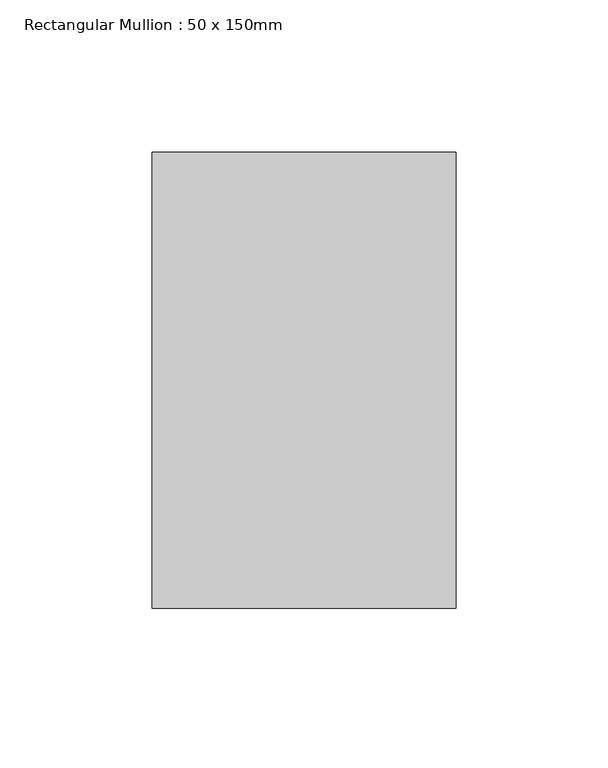
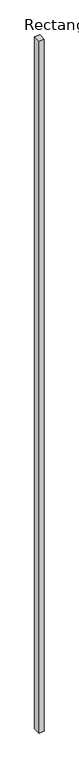
"""IFC4 building model written with IfcOpenShell, lengths in millimetres: member geometry, Rectangular Mullion : 50 x 150mm."""

from ifc_helpers import new_model, si_unit, frame, origin, place, context, project, spatial, polyline, outline, extrude, source, transform, mapped, element, save


def rectangular_mullion_50_x_150mm_da0dc60e(model_context):
    return source(origin(), model_context, "Body", "SweptSolid", [
        extrude(outline(polyline([(0.0, 75.0), (0.0, -75.0), (-100.0, -75.0), (-100.0, 75.0), (0.0, 75.0)])), frame((0.0, 0.0, -14285.365803), z_axis=(0.0, 0.0, 1.0), x_axis=(1.0, 0.0, 0.0)), (0.0, 0.0, 1.0), 14285.365803),
    ])


if __name__ == "__main__":
    model = new_model("IFC4")
    model_context = context("Model", 3, world=origin())
    ifc_project = project(units=[si_unit("LENGTHUNIT", "METRE", prefix="MILLI")], contexts=[model_context])
    site = spatial("IfcSite", under=ifc_project)
    building = spatial("IfcBuilding", under=site)
    placement = place(None, origin())
    rectangular_mullion_50_x_150mm_shape = rectangular_mullion_50_x_150mm_da0dc60e(model_context)
    element("IfcMember", 1, ObjectType="Rectangular Mullion : 50 x 150mm", at=placement, inside=building, context=model_context, shape_type="MappedRepresentation", body=[
        mapped(rectangular_mullion_50_x_150mm_shape, transform((0.0, 0.0, 0.0), x_axis=(1.0, 0.0, 0.0), y_axis=(0.0, 1.0, 0.0), z_axis=(0.0, 0.0, 1.0))),
    ])
    save(model, "model.ifc")
